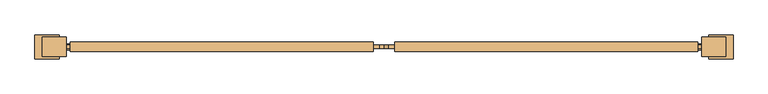
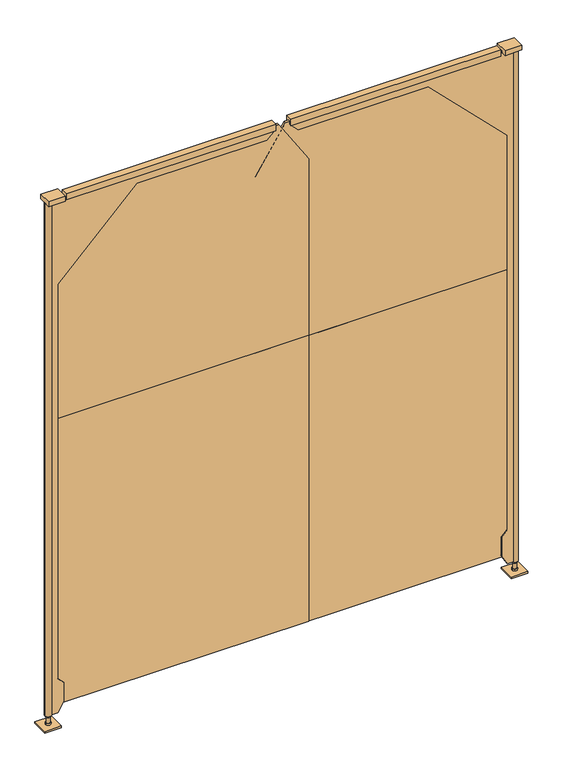
"""IFC4 building model written with IfcOpenShell, lengths in millimetres: door geometry."""

import ifcopenshell
import ifcopenshell.guid

model = None  # the IFC model being written
_history = None  # IfcOwnerHistory: only IFC2X3 demands one
_inside = {}  # id of a spatial element -> (the spatial element, [elements in it])
_under = {}  # id of a project, library or spatial element -> (it, [spatial elements below it])
_declared = {}  # id of a project -> (the project, [libraries it declares])
_typed = {}  # id of a type object -> (the type object, [elements of that type])
_made_of = {}  # id of a material, layer set ... -> (it, [elements and type objects made of it])


def new_model(schema):
    """Start an empty IFC model of exactly this schema.

    Asked for "IFC4X3", IfcOpenShell would pick the latest addendum, in which some entities
    have other attributes; the version numbers below select the first issue.
    IFC2X3 requires an IfcOwnerHistory on every rooted entity: one is made here for all.
    """
    global model, _history
    if schema == "IFC4X3":
        model = ifcopenshell.file(schema_version=(4, 3, 0, 0))
    else:
        model = ifcopenshell.file(schema=schema)
    _inside.clear()
    _under.clear()
    _declared.clear()
    _typed.clear()
    _made_of.clear()
    _history = None
    if model.schema == "IFC2X3":
        org = make("IfcOrganization", Name="unknown")
        user = make(
            "IfcPersonAndOrganization",
            ThePerson=make("IfcPerson", FamilyName="unknown"),
            TheOrganization=org,
        )
        app = make(
            "IfcApplication",
            ApplicationDeveloper=org,
            Version="unknown",
            ApplicationFullName="unknown",
            ApplicationIdentifier="unknown",
        )
        _history = make(
            "IfcOwnerHistory",
            OwningUser=user,
            OwningApplication=app,
            ChangeAction="ADDED",
            CreationDate=0,
        )
    return model


def make(cls, **values):
    """One entity of the class cls with the attributes given. An attribute that is None is left unset."""
    return model.create_entity(
        cls, **{name: value for name, value in values.items() if value is not None}
    )


def rooted(cls, **values):
    """An entity with a GlobalId (a new one), such as an element, a storey or a relation."""
    return make(cls, GlobalId=ifcopenshell.guid.new(), OwnerHistory=_history, **values)


def si_unit(unit_type, name, prefix=None):
    """IfcSIUnit, for example si_unit("LENGTHUNIT", "METRE", prefix="MILLI")."""
    return make("IfcSIUnit", UnitType=unit_type, Prefix=prefix, Name=name)


def assignment(units):
    """IfcUnitAssignment: the units of a project."""
    return None if units is None else make("IfcUnitAssignment", Units=units)


def point(xyz):
    """IfcCartesianPoint."""
    return None if xyz is None else make("IfcCartesianPoint", Coordinates=xyz)


def direction(xyz):
    """IfcDirection."""
    return None if xyz is None else make("IfcDirection", DirectionRatios=xyz)


def frame(location, z_axis=None, x_axis=None):
    """IfcAxis2Placement3D, a coordinate frame: its origin and axes. An axis left out is left unset."""
    return make(
        "IfcAxis2Placement3D",
        Location=point(location),
        Axis=direction(z_axis),
        RefDirection=direction(x_axis),
    )


def origin():
    """The frame at (0, 0, 0) with its axes left unset."""
    return frame((0.0, 0.0, 0.0))


def origin_with_axes():
    """The frame at (0, 0, 0) with the z axis (0, 0, 1) and the x axis (1, 0, 0) written out."""
    return frame((0.0, 0.0, 0.0), z_axis=(0.0, 0.0, 1.0), x_axis=(1.0, 0.0, 0.0))


def place(relative_to, where):
    """IfcLocalPlacement: puts the frame where relative to a parent placement (None: the world)."""
    return make(
        "IfcLocalPlacement", PlacementRelTo=relative_to, RelativePlacement=where
    )


def context(
    kind, dimensions, precision=None, world=None, true_north=None, identifier=None
):
    """IfcGeometricRepresentationContext, for example the 3D "Model" context."""
    return make(
        "IfcGeometricRepresentationContext",
        ContextIdentifier=identifier,
        ContextType=kind,
        CoordinateSpaceDimension=dimensions,
        Precision=precision,
        WorldCoordinateSystem=world,
        TrueNorth=true_north,
    )


def project(units=None, contexts=None):
    """IfcProject with its units and contexts."""
    return rooted(
        "IfcProject",
        Name="project",
        RepresentationContexts=contexts,
        UnitsInContext=assignment(units),
    )


def spatial(cls, under=None, at=None, **own):
    """A site, building, storey or space (cls), placed at a placement, below another one or the project."""
    s = rooted(cls, ObjectPlacement=at, **own)
    if under is not None:
        _under.setdefault(under.id(), (under, []))[1].append(s)
    return s


def polyline(points):
    """IfcPolyline through the points."""
    return make("IfcPolyline", Points=[point(p) for p in points])


def circle_curve(where, radius):
    """IfcCircle in the frame where."""
    return make("IfcCircle", Position=where, Radius=radius)


def outline(outer, holes=None, kind="AREA"):
    """IfcArbitraryClosedProfileDef: a profile drawn as a closed curve; with holes, ...WithVoids."""
    if holes is None:
        return make("IfcArbitraryClosedProfileDef", ProfileType=kind, OuterCurve=outer)
    return make(
        "IfcArbitraryProfileDefWithVoids",
        ProfileType=kind,
        OuterCurve=outer,
        InnerCurves=holes,
    )


def extrude(swept, where, along, depth):
    """IfcExtrudedAreaSolid: the profile swept, set in the frame where, extruded along a direction by depth."""
    return make(
        "IfcExtrudedAreaSolid",
        SweptArea=swept,
        Position=where,
        ExtrudedDirection=direction(along),
        Depth=depth,
    )


def shape(context_of_items, identifier, shape_type, items):
    """IfcShapeRepresentation: the items that make up one representation, for example the "Body"."""
    return make(
        "IfcShapeRepresentation",
        ContextOfItems=context_of_items,
        RepresentationIdentifier=identifier,
        RepresentationType=shape_type,
        Items=items,
    )


def source(mapping_origin, context_of_items, identifier, shape_type, items):
    """IfcRepresentationMap: a shape defined once, which mapped items show again and again."""
    return make(
        "IfcRepresentationMap",
        MappingOrigin=mapping_origin,
        MappedRepresentation=shape(context_of_items, identifier, shape_type, items),
    )


def transform(
    local_origin,
    x_axis=None,
    y_axis=None,
    z_axis=None,
    scale=None,
    scale2=None,
    scale3=None,
    uniform=True,
):
    """IfcCartesianTransformationOperator3D, or its non-uniform kind. x_axis, y_axis, z_axis: its Axis1, 2, 3."""
    if uniform:
        return make(
            "IfcCartesianTransformationOperator3D",
            Axis1=direction(x_axis),
            Axis2=direction(y_axis),
            LocalOrigin=point(local_origin),
            Scale=scale,
            Axis3=direction(z_axis),
        )
    return make(
        "IfcCartesianTransformationOperator3DnonUniform",
        Axis1=direction(x_axis),
        Axis2=direction(y_axis),
        LocalOrigin=point(local_origin),
        Scale=scale,
        Axis3=direction(z_axis),
        Scale2=scale2,
        Scale3=scale3,
    )


def mapped(mapping_source, mapping_target):
    """IfcMappedItem: shows the shape of a source again, moved by a transform."""
    return make(
        "IfcMappedItem", MappingSource=mapping_source, MappingTarget=mapping_target
    )


def made_of(thing, what):
    """Note that an element or type object is made of a material, layer set ...; save() writes the relation."""
    if what is not None:
        _made_of.setdefault(what.id(), (what, []))[1].append(thing)
    return thing


def element(
    cls,
    number,
    at=None,
    inside=None,
    cuts=None,
    type_object=None,
    material=None,
    context=None,
    identifier="Body",
    shape_type=None,
    held_by="IfcProductDefinitionShape",
    body=None,
    shapes=None,
    **own,
):
    """One element of the class cls, such as IfcWall. Its Tag is "e" and its number.

    at: its placement. inside: the storey or other place that contains it. cuts: it is an
    opening in that element (IfcRelVoidsElement). A single representation is given by context,
    identifier, shape_type and body (its items); several are given by shapes. held_by: the class
    of the entity that holds the representations. save() writes the other relations.
    """
    e = rooted(cls, Tag="e%d" % number, ObjectPlacement=at, **own)
    if body is not None:
        shapes = [shape(context, identifier, shape_type, body)]
    if shapes is not None:
        e.Representation = make(held_by, Representations=shapes)
    if inside is not None:
        _inside.setdefault(inside.id(), (inside, []))[1].append(e)
    if cuts is not None:
        rooted(
            "IfcRelVoidsElement", RelatingBuildingElement=cuts, RelatedOpeningElement=e
        )
    if type_object is not None:
        _typed.setdefault(type_object.id(), (type_object, []))[1].append(e)
    return made_of(e, material)


def aggregate(whole, parts):
    """IfcRelAggregates: a whole, such as a stair, and the parts it consists of."""
    return rooted("IfcRelAggregates", RelatingObject=whole, RelatedObjects=parts)


def save(model, path):
    """Write the relations noted so far, then the file.

    IfcRelAggregates (storeys below a building ...), IfcRelContainedInSpatialStructure (elements
    in a storey), IfcRelDefinesByType, IfcRelAssociatesMaterial and IfcRelDeclares: one each for
    every whole, place, type object, material and project.
    """
    for whole, parts in _under.values():
        aggregate(whole, parts)
    for where, things in _inside.values():
        rooted(
            "IfcRelContainedInSpatialStructure",
            RelatedElements=things,
            RelatingStructure=where,
        )
    for kind, things in _typed.values():
        rooted("IfcRelDefinesByType", RelatedObjects=things, RelatingType=kind)
    for what, things in _made_of.values():
        rooted("IfcRelAssociatesMaterial", RelatedObjects=things, RelatingMaterial=what)
    for by, libraries in _declared.values():
        rooted("IfcRelDeclares", RelatingContext=by, RelatedDefinitions=libraries)
    model.write(path)


def plane_surface(at):
    """IfcPlane: the flat surface through the origin of the frame at, square to its z axis."""
    return make("IfcPlane", Position=at)


def cylinder_surface(at, radius):
    """IfcCylindricalSurface: all points at the distance radius from the z axis of the frame at."""
    return make("IfcCylindricalSurface", Position=at, Radius=radius)


def advanced_brep(points, edges, surfaces, faces):
    """IfcAdvancedBrep: a solid bounded by faces that lie on surfaces and meet in shared edges.

    An edge is (start, end): straight between two places in points (the first is 0);
    or (start, end, curve); or (start, end, curve, False) where it runs against its curve.
    A face is (place in surfaces, loops), or (place, loops, False) where it looks against
    its surface's normal. A loop lists edges by number (the first is 1), with a minus sign
    where the edge is run from its end to its start. The first loop is the outer one.
    """
    corners = [point(p) for p in points]
    vertices = [make("IfcVertexPoint", VertexGeometry=c) for c in corners]
    made = []
    for start, end, *more in edges:
        made.append(
            make(
                "IfcEdgeCurve",
                EdgeStart=vertices[start],
                EdgeEnd=vertices[end],
                EdgeGeometry=more[0] if more else make("IfcPolyline", Points=[corners[start], corners[end]]),
                SameSense=more[1] if len(more) > 1 else True,
            )
        )
    hull = []
    for where, loops, *sense in faces:
        bounds = []
        for j, loop in enumerate(loops):
            ring = [make("IfcOrientedEdge", EdgeElement=made[abs(k) - 1], Orientation=k > 0) for k in loop]
            bounds.append(
                make(
                    "IfcFaceOuterBound" if j == 0 else "IfcFaceBound",
                    Bound=make("IfcEdgeLoop", EdgeList=ring),
                    Orientation=True,
                )
            )
        hull.append(make("IfcAdvancedFace", Bounds=bounds, FaceSurface=surfaces[where], SameSense=sense[0] if sense else True))
    return make("IfcAdvancedBrep", Outer=make("IfcClosedShell", CfsFaces=hull))


def door_adec197b(model_context):
    return source(origin(), model_context, "Body", "SolidModel", [
        extrude(outline(polyline([(1734.4906968, -867.4035438), (781.9906968, -867.4035438), (781.9906968, -857.8785438), (1734.4906968, -857.8785438), (1734.4906968, -867.4035438)])), frame((0.0, 0.0, 76.2), z_axis=(0.0, 0.0, 1.0), x_axis=(1.0, 0.0, 0.0)), (0.0, 0.0, 1.0), 1143.0),
        extrude(outline(polyline([(2101.85, 1620.210311), (2101.85, 781.9906968), (1219.2, 781.9906968), (1219.2, 1734.4906968), (1925.873638, 1734.4906968), (2101.85, 1620.210311)])), frame((0.0, -867.4035438, 0.0), z_axis=(0.0, 1.0, 0.0), x_axis=(0.0, 0.0, 1.0)), (0.0, 0.0, 1.0), 9.525),
        advanced_brep(
        [(781.9906968, -870.5785438, 44.45), (804.2156968, -870.5785438, 82.9448292), (804.2156968, -870.5785438, 159.1448292), (781.9906968, -870.5785438, 181.3698292), (781.9906968, -870.5785438, 1758.95), (1080.7598004, -870.5785438, 2057.7191036), (1572.8848004, -870.5785438, 2057.7191036), (1604.3156968, -870.5785438, 2089.15), (810.5656968, -870.5785438, 2089.15), (810.5656968, -870.5785438, 2095.5), (760.1546311, -870.5785438, 2095.5), (760.1546311, -870.5785438, 44.45), (1604.3156968, -854.7035438, 2089.15), (1572.8848004, -854.7035438, 2057.7191036), (1080.7598004, -854.7035438, 2057.7191036), (781.9906968, -854.7035438, 1758.95), (781.9906968, -854.7035438, 181.3698292), (804.2156968, -854.7035438, 159.1448292), (804.2156968, -854.7035438, 82.9448292), (781.9906968, -854.7035438, 44.45), (760.1546311, -854.7035438, 44.45), (760.1546311, -854.7035438, 2095.5), (810.5656968, -854.7035438, 2095.5), (810.5656968, -854.7035438, 2089.15), (737.5406968, -862.6410438, 44.45), (759.7656968, -862.6410438, 44.45), (740.7156968, -862.6410438, 44.45), (1604.3156968, -849.9410438, 2089.15), (1604.3156968, -849.9410438, 2114.55), (1604.3156968, -875.3410438, 2114.55), (1604.3156968, -875.3410438, 2089.15), (737.5406968, -862.6410438, 2095.5), (740.7156968, -862.6410438, 12.7), (759.7656968, -862.6410438, 12.7), (759.7656968, -862.6410438, 6.35), (740.7156968, -862.6410438, 6.35), (743.8906968, -862.6410438, 12.7), (756.5906968, -862.6410438, 12.7), (743.8906968, -862.6410438, 38.1), (756.5906968, -862.6410438, 38.1), (740.7156968, -862.6410438, 38.1), (759.7656968, -862.6410438, 38.1), (750.2406968, -862.6410438, 6.35), (810.5656968, -875.3410438, 2089.15), (810.5656968, -875.3410438, 2114.55), (810.5656968, -849.9410438, 2089.15), (810.5656968, -849.9410438, 2114.55)],
        [
            (0, 1),
            (1, 2),
            (2, 3),
            (3, 4),
            (4, 5),
            (5, 6),
            (6, 7),
            (7, 8),
            (8, 9),
            (9, 10),
            (10, 11),
            (11, 0),
            (12, 13),
            (13, 14),
            (14, 15),
            (15, 16),
            (16, 17),
            (17, 18),
            (18, 19),
            (19, 20),
            (20, 21),
            (21, 22),
            (22, 23),
            (23, 12),
            (19, 0),
            (11, 24, circle_curve(frame((750.2406968, -862.6410438, 44.45), z_axis=(0.0, 0.0, -1.0), x_axis=(1.0, 0.0, 0.0)), 12.7)),
            (24, 20, circle_curve(frame((750.2406968, -862.6410438, 44.45), z_axis=(0.0, 0.0, -1.0), x_axis=(1.0, 0.0, 0.0)), 12.7)),
            (25, 26, circle_curve(frame((750.2406968, -862.6410438, 44.45), z_axis=(0.0, 0.0, 1.0), x_axis=(1.0, 0.0, 0.0)), 9.525)),
            (26, 25, circle_curve(frame((750.2406968, -862.6410438, 44.45), z_axis=(0.0, 0.0, 1.0), x_axis=(1.0, 0.0, 0.0)), 9.525)),
            (18, 1),
            (17, 2),
            (16, 3),
            (15, 4),
            (14, 5),
            (13, 6),
            (12, 7),
            (12, 27),
            (27, 28),
            (28, 29),
            (29, 30),
            (30, 7),
            (31, 10, circle_curve(frame((750.2406968, -862.6410438, 2095.5), z_axis=(0.0, 0.0, 1.0), x_axis=(1.0, 0.0, 0.0)), 12.7)),
            (9, 22),
            (21, 31, circle_curve(frame((750.2406968, -862.6410438, 2095.5), z_axis=(0.0, 0.0, 1.0), x_axis=(1.0, 0.0, 0.0)), 12.7)),
            (32, 33, circle_curve(frame((750.2406968, -862.6410438, 12.7), z_axis=(0.0, 0.0, -1.0), x_axis=(1.0, 0.0, 0.0)), 9.525)),
            (33, 34),
            (34, 35, circle_curve(frame((750.2406968, -862.6410438, 6.35), z_axis=(0.0, 0.0, 1.0), x_axis=(1.0, 0.0, 0.0)), 9.525)),
            (35, 32),
            (33, 32, circle_curve(frame((750.2406968, -862.6410438, 12.7), z_axis=(0.0, 0.0, -1.0), x_axis=(1.0, 0.0, 0.0)), 9.525)),
            (35, 34, circle_curve(frame((750.2406968, -862.6410438, 6.35), z_axis=(0.0, 0.0, 1.0), x_axis=(1.0, 0.0, 0.0)), 9.525)),
            (32, 36),
            (36, 37, circle_curve(frame((750.2406968, -862.6410438, 12.7), z_axis=(0.0, 0.0, -1.0), x_axis=(1.0, 0.0, 0.0)), 6.35)),
            (37, 33),
            (37, 36, circle_curve(frame((750.2406968, -862.6410438, 12.7), z_axis=(0.0, 0.0, -1.0), x_axis=(1.0, 0.0, 0.0)), 6.35)),
            (36, 38),
            (38, 39, circle_curve(frame((750.2406968, -862.6410438, 38.1), z_axis=(0.0, 0.0, -1.0), x_axis=(1.0, 0.0, 0.0)), 6.35)),
            (39, 37),
            (39, 38, circle_curve(frame((750.2406968, -862.6410438, 38.1), z_axis=(0.0, 0.0, -1.0), x_axis=(1.0, 0.0, 0.0)), 6.35)),
            (38, 40),
            (40, 41, circle_curve(frame((750.2406968, -862.6410438, 38.1), z_axis=(0.0, 0.0, -1.0), x_axis=(1.0, 0.0, 0.0)), 9.525)),
            (41, 39),
            (41, 40, circle_curve(frame((750.2406968, -862.6410438, 38.1), z_axis=(0.0, 0.0, -1.0), x_axis=(1.0, 0.0, 0.0)), 9.525)),
            (40, 26),
            (25, 41),
            (24, 31),
            (34, 42),
            (42, 35),
            (43, 30),
            (29, 44),
            (44, 43),
            (45, 46),
            (46, 28),
            (27, 45),
            (43, 8),
            (23, 45),
            (46, 44),
        ],
        [
            plane_surface(frame((762.9406968, -870.5785438, 44.45), z_axis=(0.0, -1.0, 0.0), x_axis=(1.0, 0.0, 0.0))),
            plane_surface(frame((762.9406968, -854.7035438, 44.45), z_axis=(0.0, 1.0, 0.0), x_axis=(-1.0, 0.0, 0.0))),
            plane_surface(frame((750.2406968, -870.5785438, 44.45), z_axis=(0.0, 0.0, -1.0), x_axis=(0.0, 1.0, 0.0))),
            plane_surface(frame((781.9906968, -870.5785438, 44.45), z_axis=(0.866025403784438, 0.0, -0.5000000000000012), x_axis=(0.0, 1.0, 0.0))),
            plane_surface(frame((804.2156968, -870.5785438, 82.9448292), z_axis=(1.0, 0.0, 0.0), x_axis=(0.0, 1.0, 0.0))),
            plane_surface(frame((804.2156968, -870.5785438, 159.1448292), z_axis=(0.7071067811865491, 0.0, 0.7071067811865459), x_axis=(0.0, 1.0, 0.0))),
            plane_surface(frame((781.9906968, -870.5785438, 181.3698292), z_axis=(1.0, 0.0, 0.0), x_axis=(0.0, 1.0, 0.0))),
            plane_surface(frame((781.9906968, -870.5785438, 1758.95), z_axis=(0.7071067811865452, 0.0, -0.7071067811865498), x_axis=(0.0, 1.0, 0.0))),
            plane_surface(frame((1080.7598004, -870.5785438, 2057.7191036), z_axis=(0.0, 0.0, -1.0), x_axis=(0.0, 1.0, 0.0))),
            plane_surface(frame((1572.8848004, -870.5785438, 2057.7191036), z_axis=(0.707106781186546, 0.0, -0.707106781186549), x_axis=(0.0, 1.0, 0.0))),
            plane_surface(frame((1604.3156968, -870.5785438, 2089.15), z_axis=(1.0, 0.0, 0.0), x_axis=(0.0, 1.0, 0.0))),
            plane_surface(frame((1604.3156968, -870.5785438, 2095.5), z_axis=(0.0, 0.0, 1.0), x_axis=(0.0, 1.0, 0.0))),
            cylinder_surface(frame((750.2406968, -862.6410438, 6.35), z_axis=(0.0, 0.0, 1.0), x_axis=(1.0, 0.0, 0.0)), 9.525),
            plane_surface(frame((750.2406968, -862.6410438, 12.7), z_axis=(0.0, 0.0, 1.0), x_axis=(1.0, 0.0, 0.0))),
            cylinder_surface(frame((750.2406968, -862.6410438, 6.35), z_axis=(0.0, 0.0, 1.0), x_axis=(1.0, 0.0, 0.0)), 6.35),
            plane_surface(frame((750.2406968, -862.6410438, 38.1), z_axis=(0.0, 0.0, -1.0), x_axis=(1.0, 0.0, 0.0))),
            cylinder_surface(frame((750.2406968, -862.6410438, 6.35), z_axis=(0.0, 0.0, 1.0), x_axis=(1.0, 0.0, 0.0)), 12.7),
            plane_surface(frame((750.2406968, -862.6410438, 6.35), z_axis=(0.0, 0.0, -1.0), x_axis=(1.0, 0.0, 0.0))),
            plane_surface(frame((810.5656968, -875.3410438, 2089.15), z_axis=(0.0, -1.0, 0.0), x_axis=(1.0, 0.0, 0.0))),
            plane_surface(frame((810.5656968, -849.9410438, 2089.15), z_axis=(0.0, 1.0, 0.0), x_axis=(-1.0, 0.0, 0.0))),
            plane_surface(frame((810.5656968, -875.3410438, 2089.15), z_axis=(0.0, 0.0, -1.0), x_axis=(0.0, 1.0, 0.0))),
            plane_surface(frame((1604.3156968, -875.3410438, 2114.55), z_axis=(0.0, 0.0, 1.0), x_axis=(0.0, 1.0, 0.0))),
            plane_surface(frame((810.5656968, -875.3410438, 2114.55), z_axis=(-1.0, 0.0, 0.0), x_axis=(0.0, 1.0, 0.0))),
        ],
        [
            (0, [[1, 2, 3, 4, 5, 6, 7, 8, 9, 10, 11, 12]]),
            (1, [[13, 14, 15, 16, 17, 18, 19, 20, 21, 22, 23, 24]]),
            (2, [[25, -12, 26, 27, -20], [28, 29]]),
            (3, [[-1, -25, -19, 30]]),
            (4, [[-2, -30, -18, 31]]),
            (5, [[-3, -31, -17, 32]]),
            (6, [[-4, -32, -16, 33]]),
            (7, [[-5, -33, -15, 34]]),
            (8, [[-6, -34, -14, 35]]),
            (9, [[-7, -35, -13, 36]]),
            (10, [[-36, 37, 38, 39, 40, 41]]),
            (11, [[42, -10, 43, -22, 44]]),
            (12, [[45, 46, 47, 48]]),
            (12, [[-46, 49, -48, 50]]),
            (13, [[-45, 51, 52, 53]]),
            (13, [[-49, -53, 54, -51]]),
            (14, [[-52, 55, 56, 57]]),
            (14, [[-54, -57, 58, -55]]),
            (15, [[-56, 59, 60, 61]]),
            (15, [[-58, -61, 62, -59]]),
            (12, [[-60, 63, -28, 64]]),
            (12, [[-62, -64, -29, -63]]),
            (16, [[65, -44, -21, -27]]),
            (16, [[-65, -26, -11, -42]]),
            (17, [[-47, 66, 67]]),
            (17, [[-50, -67, -66]]),
            (18, [[68, -40, 69, 70]]),
            (19, [[71, 72, -38, 73]]),
            (20, [[-68, 74, -8, -41]]),
            (20, [[-73, -37, -24, 75]]),
            (21, [[-69, -39, -72, 76]]),
            (22, [[-70, -76, -71, -75, -23, -43, -9, -74]]),
        ],
    ),
        extrude(outline(polyline([(801.0406968, -888.0410438), (737.5406968, -888.0410438), (737.5406968, -837.2410438), (801.0406968, -837.2410438), (801.0406968, -888.0410438)])), frame((0.0, 0.0, 2095.5), z_axis=(0.0, 0.0, 1.0), x_axis=(1.0, 0.0, 0.0)), (0.0, 0.0, 1.0), 19.05),
        extrude(outline(polyline([(781.9906968, -830.8910438), (781.9906968, -894.3910438), (718.4906968, -894.3910438), (718.4906968, -830.8910438), (781.9906968, -830.8910438)])), origin_with_axes(), (0.0, 0.0, 1.0), 6.35),
        extrude(outline(polyline([(1531.2906968, -867.4035438), (1531.2906968, -857.8785438), (2483.7906968, -857.8785438), (2483.7906968, -867.4035438), (1531.2906968, -867.4035438)])), frame((0.0, 0.0, 76.2), z_axis=(0.0, 0.0, 1.0), x_axis=(1.0, 0.0, 0.0)), (0.0, 0.0, 1.0), 1143.0),
        extrude(outline(polyline([(2101.85, 1645.5710825), (1925.873638, 1531.2906968), (1219.2, 1531.2906968), (1219.2, 2483.7906968), (2101.85, 2483.7906968), (2101.85, 1645.5710825)])), frame((0.0, -867.4035438, 0.0), z_axis=(0.0, 1.0, 0.0), x_axis=(0.0, 0.0, 1.0)), (0.0, 0.0, 1.0), 9.525),
        advanced_brep(
        [(2483.7906968, -870.5785438, 44.45), (2505.6267625, -870.5785438, 44.45), (2505.6267625, -870.5785438, 2095.5), (2455.2156968, -870.5785438, 2095.5), (2455.2156968, -870.5785438, 2089.15), (1661.4656968, -870.5785438, 2089.15), (1692.8965932, -870.5785438, 2057.7191036), (2185.0215932, -870.5785438, 2057.7191036), (2483.7906968, -870.5785438, 1758.95), (2483.7906968, -870.5785438, 181.3698292), (2461.5656968, -870.5785438, 159.1448292), (2461.5656968, -870.5785438, 82.9448292), (1661.4656968, -854.7035438, 2089.15), (2455.2156968, -854.7035438, 2089.15), (2455.2156968, -854.7035438, 2095.5), (2505.6267625, -854.7035438, 2095.5), (2505.6267625, -854.7035438, 44.45), (2483.7906968, -854.7035438, 44.45), (2461.5656968, -854.7035438, 82.9448292), (2461.5656968, -854.7035438, 159.1448292), (2483.7906968, -854.7035438, 181.3698292), (2483.7906968, -854.7035438, 1758.95), (2185.0215932, -854.7035438, 2057.7191036), (1692.8965932, -854.7035438, 2057.7191036), (2528.2406968, -862.6410438, 44.45), (2506.0156968, -862.6410438, 44.45), (2525.0656968, -862.6410438, 44.45), (1661.4656968, -875.3410438, 2089.15), (1661.4656968, -875.3410438, 2114.55), (1661.4656968, -849.9410438, 2114.55), (1661.4656968, -849.9410438, 2089.15), (2528.2406968, -862.6410438, 2095.5), (2525.0656968, -862.6410438, 12.7), (2525.0656968, -862.6410438, 6.35), (2506.0156968, -862.6410438, 6.35), (2506.0156968, -862.6410438, 12.7), (2509.1906968, -862.6410438, 12.7), (2521.8906968, -862.6410438, 12.7), (2509.1906968, -862.6410438, 38.1), (2521.8906968, -862.6410438, 38.1), (2506.0156968, -862.6410438, 38.1), (2525.0656968, -862.6410438, 38.1), (2515.5406968, -862.6410438, 6.35), (2455.2156968, -875.3410438, 2089.15), (2455.2156968, -875.3410438, 2114.55), (2455.2156968, -849.9410438, 2089.15), (2455.2156968, -849.9410438, 2114.55)],
        [
            (0, 1),
            (1, 2),
            (2, 3),
            (3, 4),
            (4, 5),
            (5, 6),
            (6, 7),
            (7, 8),
            (8, 9),
            (9, 10),
            (10, 11),
            (11, 0),
            (12, 13),
            (13, 14),
            (14, 15),
            (15, 16),
            (16, 17),
            (17, 18),
            (18, 19),
            (19, 20),
            (20, 21),
            (21, 22),
            (22, 23),
            (23, 12),
            (16, 24, circle_curve(frame((2515.5406968, -862.6410438, 44.45), z_axis=(0.0, 0.0, -1.0), x_axis=(-1.0, 0.0, 0.0)), 12.7)),
            (24, 1, circle_curve(frame((2515.5406968, -862.6410438, 44.45), z_axis=(0.0, 0.0, -1.0), x_axis=(-1.0, 0.0, 0.0)), 12.7)),
            (0, 17),
            (25, 26, circle_curve(frame((2515.5406968, -862.6410438, 44.45), z_axis=(0.0, 0.0, 1.0), x_axis=(-1.0, 0.0, 0.0)), 9.525)),
            (26, 25, circle_curve(frame((2515.5406968, -862.6410438, 44.45), z_axis=(0.0, 0.0, 1.0), x_axis=(-1.0, 0.0, 0.0)), 9.525)),
            (11, 18),
            (10, 19),
            (9, 20),
            (8, 21),
            (7, 22),
            (6, 23),
            (5, 12),
            (5, 27),
            (27, 28),
            (28, 29),
            (29, 30),
            (30, 12),
            (31, 15, circle_curve(frame((2515.5406968, -862.6410438, 2095.5), z_axis=(0.0, 0.0, 1.0), x_axis=(-1.0, 0.0, 0.0)), 12.7)),
            (14, 3),
            (2, 31, circle_curve(frame((2515.5406968, -862.6410438, 2095.5), z_axis=(0.0, 0.0, 1.0), x_axis=(-1.0, 0.0, 0.0)), 12.7)),
            (32, 33),
            (33, 34, circle_curve(frame((2515.5406968, -862.6410438, 6.35), z_axis=(0.0, 0.0, 1.0), x_axis=(-1.0, 0.0, 0.0)), 9.525)),
            (34, 35),
            (35, 32, circle_curve(frame((2515.5406968, -862.6410438, 12.7), z_axis=(0.0, 0.0, -1.0), x_axis=(-1.0, 0.0, 0.0)), 9.525)),
            (34, 33, circle_curve(frame((2515.5406968, -862.6410438, 6.35), z_axis=(0.0, 0.0, 1.0), x_axis=(-1.0, 0.0, 0.0)), 9.525)),
            (32, 35, circle_curve(frame((2515.5406968, -862.6410438, 12.7), z_axis=(0.0, 0.0, -1.0), x_axis=(-1.0, 0.0, 0.0)), 9.525)),
            (35, 36),
            (36, 37, circle_curve(frame((2515.5406968, -862.6410438, 12.7), z_axis=(0.0, 0.0, -1.0), x_axis=(-1.0, 0.0, 0.0)), 6.35)),
            (37, 32),
            (37, 36, circle_curve(frame((2515.5406968, -862.6410438, 12.7), z_axis=(0.0, 0.0, -1.0), x_axis=(-1.0, 0.0, 0.0)), 6.35)),
            (36, 38),
            (38, 39, circle_curve(frame((2515.5406968, -862.6410438, 38.1), z_axis=(0.0, 0.0, -1.0), x_axis=(-1.0, 0.0, 0.0)), 6.35)),
            (39, 37),
            (39, 38, circle_curve(frame((2515.5406968, -862.6410438, 38.1), z_axis=(0.0, 0.0, -1.0), x_axis=(-1.0, 0.0, 0.0)), 6.35)),
            (38, 40),
            (40, 41, circle_curve(frame((2515.5406968, -862.6410438, 38.1), z_axis=(0.0, 0.0, -1.0), x_axis=(-1.0, 0.0, 0.0)), 9.525)),
            (41, 39),
            (41, 40, circle_curve(frame((2515.5406968, -862.6410438, 38.1), z_axis=(0.0, 0.0, -1.0), x_axis=(-1.0, 0.0, 0.0)), 9.525)),
            (40, 25),
            (26, 41),
            (31, 24),
            (33, 42),
            (42, 34),
            (43, 44),
            (44, 28),
            (27, 43),
            (45, 30),
            (29, 46),
            (46, 45),
            (4, 43),
            (45, 13),
            (44, 46),
        ],
        [
            plane_surface(frame((2502.8406968, -870.5785438, 44.45), z_axis=(0.0, -1.0, 0.0), x_axis=(-1.0, 0.0, 0.0))),
            plane_surface(frame((2502.8406968, -854.7035438, 44.45), z_axis=(0.0, 1.0, 0.0), x_axis=(1.0, 0.0, 0.0))),
            plane_surface(frame((2515.5406968, -870.5785438, 44.45), z_axis=(0.0, 0.0, -1.0), x_axis=(0.0, 1.0, 0.0))),
            plane_surface(frame((2483.7906968, -870.5785438, 44.45), z_axis=(-0.866025403784438, 0.0, -0.5000000000000012), x_axis=(0.0, 1.0, 0.0))),
            plane_surface(frame((2461.5656968, -870.5785438, 82.9448292), z_axis=(-1.0, 0.0, 0.0), x_axis=(0.0, 1.0, 0.0))),
            plane_surface(frame((2461.5656968, -870.5785438, 159.1448292), z_axis=(-0.7071067811865491, 0.0, 0.7071067811865459), x_axis=(0.0, 1.0, 0.0))),
            plane_surface(frame((2483.7906968, -870.5785438, 181.3698292), z_axis=(-1.0, 0.0, 0.0), x_axis=(0.0, 1.0, 0.0))),
            plane_surface(frame((2483.7906968, -870.5785438, 1758.95), z_axis=(-0.7071067811865452, 0.0, -0.7071067811865498), x_axis=(0.0, 1.0, 0.0))),
            plane_surface(frame((2185.0215932, -870.5785438, 2057.7191036), z_axis=(0.0, 0.0, -1.0), x_axis=(0.0, 1.0, 0.0))),
            plane_surface(frame((1692.8965932, -870.5785438, 2057.7191036), z_axis=(-0.707106781186546, 0.0, -0.707106781186549), x_axis=(0.0, 1.0, 0.0))),
            plane_surface(frame((1661.4656968, -870.5785438, 2089.15), z_axis=(-1.0, 0.0, 0.0), x_axis=(0.0, 1.0, 0.0))),
            plane_surface(frame((1661.4656968, -870.5785438, 2095.5), z_axis=(0.0, 0.0, 1.0), x_axis=(0.0, 1.0, 0.0))),
            cylinder_surface(frame((2515.5406968, -862.6410438, 6.35), z_axis=(0.0, 0.0, 1.0), x_axis=(-1.0, 0.0, 0.0)), 9.525),
            plane_surface(frame((2515.5406968, -862.6410438, 12.7), z_axis=(0.0, 0.0, 1.0), x_axis=(-1.0, 0.0, 0.0))),
            cylinder_surface(frame((2515.5406968, -862.6410438, 6.35), z_axis=(0.0, 0.0, 1.0), x_axis=(-1.0, 0.0, 0.0)), 6.35),
            plane_surface(frame((2515.5406968, -862.6410438, 38.1), z_axis=(0.0, 0.0, -1.0), x_axis=(-1.0, 0.0, 0.0))),
            cylinder_surface(frame((2515.5406968, -862.6410438, 6.35), z_axis=(0.0, 0.0, 1.0), x_axis=(-1.0, 0.0, 0.0)), 12.7),
            plane_surface(frame((2515.5406968, -862.6410438, 6.35), z_axis=(0.0, 0.0, -1.0), x_axis=(-1.0, 0.0, 0.0))),
            plane_surface(frame((2455.2156968, -875.3410438, 2089.15), z_axis=(0.0, -1.0, 0.0), x_axis=(-1.0, 0.0, 0.0))),
            plane_surface(frame((2455.2156968, -849.9410438, 2089.15), z_axis=(0.0, 1.0, 0.0), x_axis=(1.0, 0.0, 0.0))),
            plane_surface(frame((2455.2156968, -875.3410438, 2089.15), z_axis=(0.0, 0.0, -1.0), x_axis=(0.0, 1.0, 0.0))),
            plane_surface(frame((1661.4656968, -875.3410438, 2114.55), z_axis=(0.0, 0.0, 1.0), x_axis=(0.0, 1.0, 0.0))),
            plane_surface(frame((2455.2156968, -875.3410438, 2114.55), z_axis=(1.0, 0.0, 0.0), x_axis=(0.0, 1.0, 0.0))),
        ],
        [
            (0, [[1, 2, 3, 4, 5, 6, 7, 8, 9, 10, 11, 12]]),
            (1, [[13, 14, 15, 16, 17, 18, 19, 20, 21, 22, 23, 24]]),
            (2, [[-17, 25, 26, -1, 27], [28, 29]]),
            (3, [[30, -18, -27, -12]]),
            (4, [[31, -19, -30, -11]]),
            (5, [[32, -20, -31, -10]]),
            (6, [[33, -21, -32, -9]]),
            (7, [[34, -22, -33, -8]]),
            (8, [[35, -23, -34, -7]]),
            (9, [[36, -24, -35, -6]]),
            (10, [[37, 38, 39, 40, 41, -36]]),
            (11, [[42, -15, 43, -3, 44]]),
            (12, [[45, 46, 47, 48]]),
            (12, [[49, -45, 50, -47]]),
            (13, [[51, 52, 53, -48]]),
            (13, [[-53, 54, -51, -50]]),
            (14, [[55, 56, 57, -52]]),
            (14, [[-57, 58, -55, -54]]),
            (15, [[59, 60, 61, -56]]),
            (15, [[-61, 62, -59, -58]]),
            (12, [[63, -29, 64, -60]]),
            (12, [[-64, -28, -63, -62]]),
            (16, [[-25, -16, -42, 65]]),
            (16, [[-44, -2, -26, -65]]),
            (17, [[66, 67, -46]]),
            (17, [[-67, -66, -49]]),
            (18, [[68, 69, -38, 70]]),
            (19, [[71, -40, 72, 73]]),
            (20, [[-37, -5, 74, -70]]),
            (20, [[75, -13, -41, -71]]),
            (21, [[76, -72, -39, -69]]),
            (22, [[-74, -4, -43, -14, -75, -73, -76, -68]]),
        ],
    ),
        extrude(outline(polyline([(2464.7406968, -888.0410438), (2464.7406968, -837.2410438), (2528.2406968, -837.2410438), (2528.2406968, -888.0410438), (2464.7406968, -888.0410438)])), frame((0.0, 0.0, 2095.5), z_axis=(0.0, 0.0, 1.0), x_axis=(1.0, 0.0, 0.0)), (0.0, 0.0, 1.0), 19.05),
        extrude(outline(polyline([(2483.7906968, -830.8910438), (2547.2906968, -830.8910438), (2547.2906968, -894.3910438), (2483.7906968, -894.3910438), (2483.7906968, -830.8910438)])), origin_with_axes(), (0.0, 0.0, 1.0), 6.35),
    ])


if __name__ == "__main__":
    model = new_model("IFC4")
    model_context = context("Model", 3, world=origin())
    ifc_project = project(units=[si_unit("LENGTHUNIT", "METRE", prefix="MILLI")], contexts=[model_context])
    site = spatial("IfcSite", under=ifc_project)
    building = spatial("IfcBuilding", under=site)
    placement = place(None, origin())
    door_shape = door_adec197b(model_context)
    element("IfcDoor", 1, at=placement, inside=building, context=model_context, shape_type="MappedRepresentation", body=[
        mapped(door_shape, transform((0.0, 0.0, 0.0), x_axis=(1.0, 0.0, 0.0), y_axis=(0.0, 1.0, 0.0), z_axis=(0.0, 0.0, 1.0))),
    ])
    save(model, "model.ifc")
